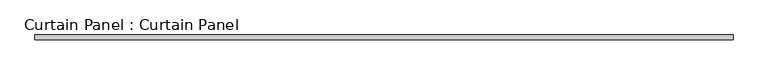
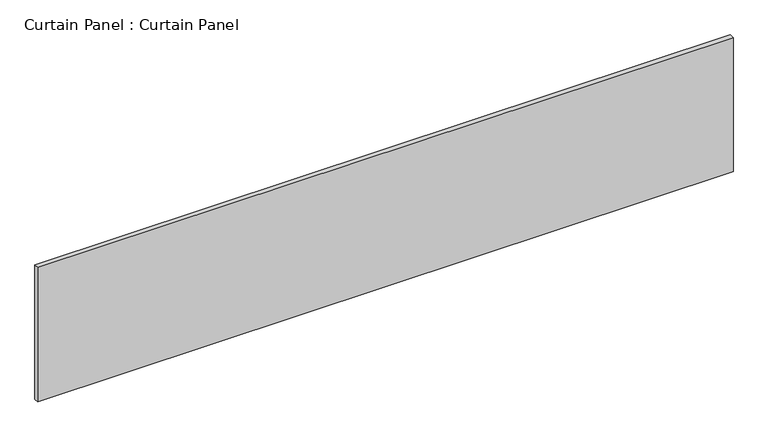
"""IFC4 building model written with IfcOpenShell, lengths in millimetres: plate geometry, Curtain Panel : Curtain Panel."""

from ifc_helpers import new_model, si_unit, frame, origin, place, context, project, spatial, polyline, outline, extrude, source, transform, mapped, element, save


def curtain_panel_curtain_panel_5944948c(model_context):
    return source(origin(), model_context, "Body", "SweptSolid", [
        extrude(outline(polyline([(-126800.3555895, -9130.4431787), (-130583.7717279, -9130.4431787), (-130583.7717279, -9105.0431787), (-126800.3555895, -9105.0431787), (-126800.3555895, -9130.4431787)])), frame((0.0, 0.0, 3117.453125), z_axis=(0.0, 0.0, 1.0), x_axis=(1.0, 0.0, 0.0)), (0.0, 0.0, 1.0), 772.2850477),
    ])


if __name__ == "__main__":
    model = new_model("IFC4")
    model_context = context("Model", 3, world=origin())
    ifc_project = project(units=[si_unit("LENGTHUNIT", "METRE", prefix="MILLI")], contexts=[model_context])
    site = spatial("IfcSite", under=ifc_project)
    building = spatial("IfcBuilding", under=site)
    placement = place(None, origin())
    curtain_panel_curtain_panel_shape = curtain_panel_curtain_panel_5944948c(model_context)
    element("IfcPlate", 1, ObjectType="Curtain Panel : Curtain Panel", at=placement, inside=building, context=model_context, shape_type="MappedRepresentation", body=[
        mapped(curtain_panel_curtain_panel_shape, transform((0.0, 0.0, 0.0), x_axis=(1.0, 0.0, 0.0), y_axis=(0.0, 1.0, 0.0), z_axis=(0.0, 0.0, 1.0))),
    ])
    save(model, "model.ifc")
